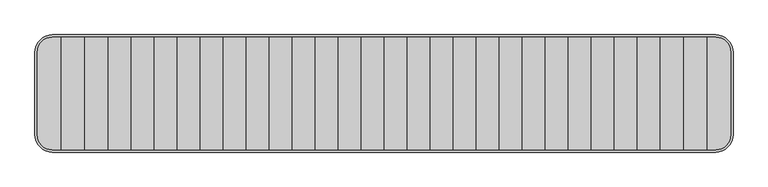
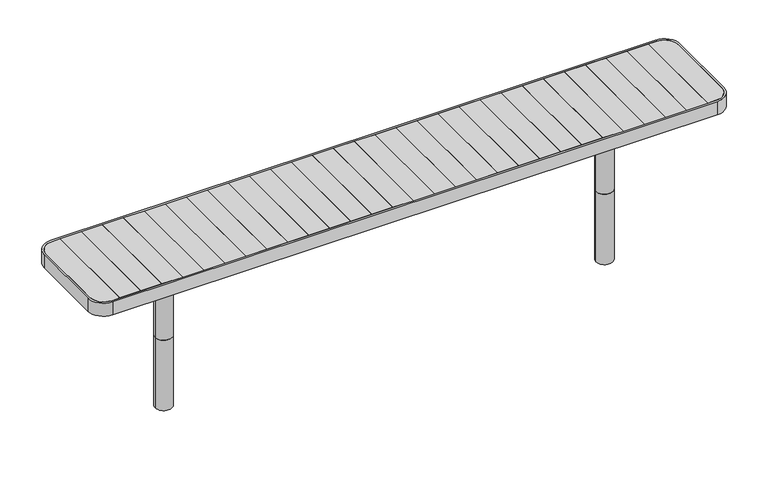
"""IFC4 building model written with IfcOpenShell, lengths in millimetres: furniture geometry."""

import ifcopenshell
import ifcopenshell.guid

model = None  # the IFC model being written
_history = None  # IfcOwnerHistory: only IFC2X3 demands one
_inside = {}  # id of a spatial element -> (the spatial element, [elements in it])
_under = {}  # id of a project, library or spatial element -> (it, [spatial elements below it])
_declared = {}  # id of a project -> (the project, [libraries it declares])
_typed = {}  # id of a type object -> (the type object, [elements of that type])
_made_of = {}  # id of a material, layer set ... -> (it, [elements and type objects made of it])


def new_model(schema):
    """Start an empty IFC model of exactly this schema.

    Asked for "IFC4X3", IfcOpenShell would pick the latest addendum, in which some entities
    have other attributes; the version numbers below select the first issue.
    IFC2X3 requires an IfcOwnerHistory on every rooted entity: one is made here for all.
    """
    global model, _history
    if schema == "IFC4X3":
        model = ifcopenshell.file(schema_version=(4, 3, 0, 0))
    else:
        model = ifcopenshell.file(schema=schema)
    _inside.clear()
    _under.clear()
    _declared.clear()
    _typed.clear()
    _made_of.clear()
    _history = None
    if model.schema == "IFC2X3":
        org = make("IfcOrganization", Name="unknown")
        user = make(
            "IfcPersonAndOrganization",
            ThePerson=make("IfcPerson", FamilyName="unknown"),
            TheOrganization=org,
        )
        app = make(
            "IfcApplication",
            ApplicationDeveloper=org,
            Version="unknown",
            ApplicationFullName="unknown",
            ApplicationIdentifier="unknown",
        )
        _history = make(
            "IfcOwnerHistory",
            OwningUser=user,
            OwningApplication=app,
            ChangeAction="ADDED",
            CreationDate=0,
        )
    return model


def make(cls, **values):
    """One entity of the class cls with the attributes given. An attribute that is None is left unset."""
    return model.create_entity(
        cls, **{name: value for name, value in values.items() if value is not None}
    )


def rooted(cls, **values):
    """An entity with a GlobalId (a new one), such as an element, a storey or a relation."""
    return make(cls, GlobalId=ifcopenshell.guid.new(), OwnerHistory=_history, **values)


def si_unit(unit_type, name, prefix=None):
    """IfcSIUnit, for example si_unit("LENGTHUNIT", "METRE", prefix="MILLI")."""
    return make("IfcSIUnit", UnitType=unit_type, Prefix=prefix, Name=name)


def assignment(units):
    """IfcUnitAssignment: the units of a project."""
    return None if units is None else make("IfcUnitAssignment", Units=units)


def point(xyz):
    """IfcCartesianPoint."""
    return None if xyz is None else make("IfcCartesianPoint", Coordinates=xyz)


def direction(xyz):
    """IfcDirection."""
    return None if xyz is None else make("IfcDirection", DirectionRatios=xyz)


def frame(location, z_axis=None, x_axis=None):
    """IfcAxis2Placement3D, a coordinate frame: its origin and axes. An axis left out is left unset."""
    return make(
        "IfcAxis2Placement3D",
        Location=point(location),
        Axis=direction(z_axis),
        RefDirection=direction(x_axis),
    )


def frame_2d(location, x_axis=None):
    """IfcAxis2Placement2D, a coordinate frame in the plane: its origin and x axis."""
    return make(
        "IfcAxis2Placement2D", Location=point(location), RefDirection=direction(x_axis)
    )


def origin():
    """The frame at (0, 0, 0) with its axes left unset."""
    return frame((0.0, 0.0, 0.0))


def origin_with_axes():
    """The frame at (0, 0, 0) with the z axis (0, 0, 1) and the x axis (1, 0, 0) written out."""
    return frame((0.0, 0.0, 0.0), z_axis=(0.0, 0.0, 1.0), x_axis=(1.0, 0.0, 0.0))


def place(relative_to, where):
    """IfcLocalPlacement: puts the frame where relative to a parent placement (None: the world)."""
    return make(
        "IfcLocalPlacement", PlacementRelTo=relative_to, RelativePlacement=where
    )


def context(
    kind, dimensions, precision=None, world=None, true_north=None, identifier=None
):
    """IfcGeometricRepresentationContext, for example the 3D "Model" context."""
    return make(
        "IfcGeometricRepresentationContext",
        ContextIdentifier=identifier,
        ContextType=kind,
        CoordinateSpaceDimension=dimensions,
        Precision=precision,
        WorldCoordinateSystem=world,
        TrueNorth=true_north,
    )


def project(units=None, contexts=None):
    """IfcProject with its units and contexts."""
    return rooted(
        "IfcProject",
        Name="project",
        RepresentationContexts=contexts,
        UnitsInContext=assignment(units),
    )


def spatial(cls, under=None, at=None, **own):
    """A site, building, storey or space (cls), placed at a placement, below another one or the project."""
    s = rooted(cls, ObjectPlacement=at, **own)
    if under is not None:
        _under.setdefault(under.id(), (under, []))[1].append(s)
    return s


def polyline(points):
    """IfcPolyline through the points."""
    return make("IfcPolyline", Points=[point(p) for p in points])


def circle_curve(where, radius):
    """IfcCircle in the frame where."""
    return make("IfcCircle", Position=where, Radius=radius)


def trimmed(basis, trim1, trim2, sense, master):
    """IfcTrimmedCurve: the piece of a basis curve between two trims."""
    return make(
        "IfcTrimmedCurve",
        BasisCurve=basis,
        Trim1=trim1,
        Trim2=trim2,
        SenseAgreement=sense,
        MasterRepresentation=master,
    )


def segment(curve, same_sense, transition):
    """IfcCompositeCurveSegment."""
    return make(
        "IfcCompositeCurveSegment",
        Transition=transition,
        SameSense=same_sense,
        ParentCurve=curve,
    )


def composite_curve(segments, self_intersect=None):
    """IfcCompositeCurve: segments joined end to end."""
    return make("IfcCompositeCurve", Segments=segments, SelfIntersect=self_intersect)


def outline(outer, holes=None, kind="AREA"):
    """IfcArbitraryClosedProfileDef: a profile drawn as a closed curve; with holes, ...WithVoids."""
    if holes is None:
        return make("IfcArbitraryClosedProfileDef", ProfileType=kind, OuterCurve=outer)
    return make(
        "IfcArbitraryProfileDefWithVoids",
        ProfileType=kind,
        OuterCurve=outer,
        InnerCurves=holes,
    )


def extrude(swept, where, along, depth):
    """IfcExtrudedAreaSolid: the profile swept, set in the frame where, extruded along a direction by depth."""
    return make(
        "IfcExtrudedAreaSolid",
        SweptArea=swept,
        Position=where,
        ExtrudedDirection=direction(along),
        Depth=depth,
    )


def shape(context_of_items, identifier, shape_type, items):
    """IfcShapeRepresentation: the items that make up one representation, for example the "Body"."""
    return make(
        "IfcShapeRepresentation",
        ContextOfItems=context_of_items,
        RepresentationIdentifier=identifier,
        RepresentationType=shape_type,
        Items=items,
    )


def source(mapping_origin, context_of_items, identifier, shape_type, items):
    """IfcRepresentationMap: a shape defined once, which mapped items show again and again."""
    return make(
        "IfcRepresentationMap",
        MappingOrigin=mapping_origin,
        MappedRepresentation=shape(context_of_items, identifier, shape_type, items),
    )


def transform(
    local_origin,
    x_axis=None,
    y_axis=None,
    z_axis=None,
    scale=None,
    scale2=None,
    scale3=None,
    uniform=True,
):
    """IfcCartesianTransformationOperator3D, or its non-uniform kind. x_axis, y_axis, z_axis: its Axis1, 2, 3."""
    if uniform:
        return make(
            "IfcCartesianTransformationOperator3D",
            Axis1=direction(x_axis),
            Axis2=direction(y_axis),
            LocalOrigin=point(local_origin),
            Scale=scale,
            Axis3=direction(z_axis),
        )
    return make(
        "IfcCartesianTransformationOperator3DnonUniform",
        Axis1=direction(x_axis),
        Axis2=direction(y_axis),
        LocalOrigin=point(local_origin),
        Scale=scale,
        Axis3=direction(z_axis),
        Scale2=scale2,
        Scale3=scale3,
    )


def mapped(mapping_source, mapping_target):
    """IfcMappedItem: shows the shape of a source again, moved by a transform."""
    return make(
        "IfcMappedItem", MappingSource=mapping_source, MappingTarget=mapping_target
    )


def made_of(thing, what):
    """Note that an element or type object is made of a material, layer set ...; save() writes the relation."""
    if what is not None:
        _made_of.setdefault(what.id(), (what, []))[1].append(thing)
    return thing


def element(
    cls,
    number,
    at=None,
    inside=None,
    cuts=None,
    type_object=None,
    material=None,
    context=None,
    identifier="Body",
    shape_type=None,
    held_by="IfcProductDefinitionShape",
    body=None,
    shapes=None,
    **own,
):
    """One element of the class cls, such as IfcWall. Its Tag is "e" and its number.

    at: its placement. inside: the storey or other place that contains it. cuts: it is an
    opening in that element (IfcRelVoidsElement). A single representation is given by context,
    identifier, shape_type and body (its items); several are given by shapes. held_by: the class
    of the entity that holds the representations. save() writes the other relations.
    """
    e = rooted(cls, Tag="e%d" % number, ObjectPlacement=at, **own)
    if body is not None:
        shapes = [shape(context, identifier, shape_type, body)]
    if shapes is not None:
        e.Representation = make(held_by, Representations=shapes)
    if inside is not None:
        _inside.setdefault(inside.id(), (inside, []))[1].append(e)
    if cuts is not None:
        rooted(
            "IfcRelVoidsElement", RelatingBuildingElement=cuts, RelatedOpeningElement=e
        )
    if type_object is not None:
        _typed.setdefault(type_object.id(), (type_object, []))[1].append(e)
    return made_of(e, material)


def aggregate(whole, parts):
    """IfcRelAggregates: a whole, such as a stair, and the parts it consists of."""
    return rooted("IfcRelAggregates", RelatingObject=whole, RelatedObjects=parts)


def save(model, path):
    """Write the relations noted so far, then the file.

    IfcRelAggregates (storeys below a building ...), IfcRelContainedInSpatialStructure (elements
    in a storey), IfcRelDefinesByType, IfcRelAssociatesMaterial and IfcRelDeclares: one each for
    every whole, place, type object, material and project.
    """
    for whole, parts in _under.values():
        aggregate(whole, parts)
    for where, things in _inside.values():
        rooted(
            "IfcRelContainedInSpatialStructure",
            RelatedElements=things,
            RelatingStructure=where,
        )
    for kind, things in _typed.values():
        rooted("IfcRelDefinesByType", RelatedObjects=things, RelatingType=kind)
    for what, things in _made_of.values():
        rooted("IfcRelAssociatesMaterial", RelatedObjects=things, RelatingMaterial=what)
    for by, libraries in _declared.values():
        rooted("IfcRelDeclares", RelatingContext=by, RelatedDefinitions=libraries)
    model.write(path)


def plane_surface(at):
    """IfcPlane: the flat surface through the origin of the frame at, square to its z axis."""
    return make("IfcPlane", Position=at)


def cylinder_surface(at, radius):
    """IfcCylindricalSurface: all points at the distance radius from the z axis of the frame at."""
    return make("IfcCylindricalSurface", Position=at, Radius=radius)


def advanced_brep(points, edges, surfaces, faces):
    """IfcAdvancedBrep: a solid bounded by faces that lie on surfaces and meet in shared edges.

    An edge is (start, end): straight between two places in points (the first is 0);
    or (start, end, curve); or (start, end, curve, False) where it runs against its curve.
    A face is (place in surfaces, loops), or (place, loops, False) where it looks against
    its surface's normal. A loop lists edges by number (the first is 1), with a minus sign
    where the edge is run from its end to its start. The first loop is the outer one.
    """
    corners = [point(p) for p in points]
    vertices = [make("IfcVertexPoint", VertexGeometry=c) for c in corners]
    made = []
    for start, end, *more in edges:
        made.append(
            make(
                "IfcEdgeCurve",
                EdgeStart=vertices[start],
                EdgeEnd=vertices[end],
                EdgeGeometry=more[0] if more else make("IfcPolyline", Points=[corners[start], corners[end]]),
                SameSense=more[1] if len(more) > 1 else True,
            )
        )
    hull = []
    for where, loops, *sense in faces:
        bounds = []
        for j, loop in enumerate(loops):
            ring = [make("IfcOrientedEdge", EdgeElement=made[abs(k) - 1], Orientation=k > 0) for k in loop]
            bounds.append(
                make(
                    "IfcFaceOuterBound" if j == 0 else "IfcFaceBound",
                    Bound=make("IfcEdgeLoop", EdgeList=ring),
                    Orientation=True,
                )
            )
        hull.append(make("IfcAdvancedFace", Bounds=bounds, FaceSurface=surfaces[where], SameSense=sense[0] if sense else True))
    return make("IfcAdvancedBrep", Outer=make("IfcClosedShell", CfsFaces=hull))


def furniture_4306fbdb(model_context):
    return source(origin(), model_context, "Body", "SolidModel", [
        extrude(outline(polyline([(1381.8, -242.0), (1283.1, -242.0), (1283.1, 242.0), (1381.8, 242.0), (1381.8, -242.0)])), frame((0.0, 0.0, 422.0), z_axis=(0.0, 0.0, 1.0), x_axis=(1.0, 0.0, 0.0)), (0.0, 0.0, 1.0), 28.0),
        extrude(outline(polyline([(1283.1, -242.0), (1184.4, -242.0), (1184.4, 242.0), (1283.1, 242.0), (1283.1, -242.0)])), frame((0.0, 0.0, 422.0), z_axis=(0.0, 0.0, 1.0), x_axis=(1.0, 0.0, 0.0)), (0.0, 0.0, 1.0), 28.0),
        extrude(outline(polyline([(1184.4, -242.0), (1085.7, -242.0), (1085.7, 242.0), (1184.4, 242.0), (1184.4, -242.0)])), frame((0.0, 0.0, 422.0), z_axis=(0.0, 0.0, 1.0), x_axis=(1.0, 0.0, 0.0)), (0.0, 0.0, 1.0), 28.0),
        extrude(outline(polyline([(1085.7, -242.0), (987.0, -242.0), (987.0, 242.0), (1085.7, 242.0), (1085.7, -242.0)])), frame((0.0, 0.0, 422.0), z_axis=(0.0, 0.0, 1.0), x_axis=(1.0, 0.0, 0.0)), (0.0, 0.0, 1.0), 28.0),
        extrude(outline(polyline([(987.0, -242.0), (888.3, -242.0), (888.3, 242.0), (987.0, 242.0), (987.0, -242.0)])), frame((0.0, 0.0, 422.0), z_axis=(0.0, 0.0, 1.0), x_axis=(1.0, 0.0, 0.0)), (0.0, 0.0, 1.0), 28.0),
        extrude(outline(polyline([(888.3, -242.0), (789.6, -242.0), (789.6, 242.0), (888.3, 242.0), (888.3, -242.0)])), frame((0.0, 0.0, 422.0), z_axis=(0.0, 0.0, 1.0), x_axis=(1.0, 0.0, 0.0)), (0.0, 0.0, 1.0), 28.0),
        extrude(outline(polyline([(789.6, -242.0), (690.9, -242.0), (690.9, 242.0), (789.6, 242.0), (789.6, -242.0)])), frame((0.0, 0.0, 422.0), z_axis=(0.0, 0.0, 1.0), x_axis=(1.0, 0.0, 0.0)), (0.0, 0.0, 1.0), 28.0),
        extrude(outline(polyline([(690.9, -242.0), (592.2, -242.0), (592.2, 242.0), (690.9, 242.0), (690.9, -242.0)])), frame((0.0, 0.0, 422.0), z_axis=(0.0, 0.0, 1.0), x_axis=(1.0, 0.0, 0.0)), (0.0, 0.0, 1.0), 28.0),
        extrude(outline(polyline([(592.2, -242.0), (493.5, -242.0), (493.5, 242.0), (592.2, 242.0), (592.2, -242.0)])), frame((0.0, 0.0, 422.0), z_axis=(0.0, 0.0, 1.0), x_axis=(1.0, 0.0, 0.0)), (0.0, 0.0, 1.0), 28.0),
        extrude(outline(polyline([(493.5, -242.0), (394.8, -242.0), (394.8, 242.0), (493.5, 242.0), (493.5, -242.0)])), frame((0.0, 0.0, 422.0), z_axis=(0.0, 0.0, 1.0), x_axis=(1.0, 0.0, 0.0)), (0.0, 0.0, 1.0), 28.0),
        extrude(outline(polyline([(394.8, -242.0), (296.1, -242.0), (296.1, 242.0), (394.8, 242.0), (394.8, -242.0)])), frame((0.0, 0.0, 422.0), z_axis=(0.0, 0.0, 1.0), x_axis=(1.0, 0.0, 0.0)), (0.0, 0.0, 1.0), 28.0),
        extrude(outline(composite_curve([segment(trimmed(circle_curve(frame_2d((1420.5004557, -177.0)), 65.0), [point((1485.5004557, -177.0))], [point((1420.5004557, -242.0))], False, "CARTESIAN"), True, "CONTINUOUS"), segment(polyline([(1420.5004557, -242.0), (1381.8, -242.0), (1381.8, 242.0), (1420.5004557, 242.0)]), True, "CONTINUOUS"), segment(trimmed(circle_curve(frame_2d((1420.5004557, 177.0)), 65.0), [point((1420.5004557, 242.0))], [point((1485.5004557, 177.0))], False, "CARTESIAN"), True, "CONTINUOUS"), segment(polyline([(1485.5004557, 177.0), (1485.5004557, -177.0)]), True, "CONTINUOUS")], self_intersect=False)), frame((0.0, 0.0, 422.0), z_axis=(0.0, 0.0, 1.0), x_axis=(1.0, 0.0, 0.0)), (0.0, 0.0, 1.0), 28.0),
        extrude(outline(polyline([(296.1, -242.0), (197.4, -242.0), (197.4, 242.0), (296.1, 242.0), (296.1, -242.0)])), frame((0.0, 0.0, 422.0), z_axis=(0.0, 0.0, 1.0), x_axis=(1.0, 0.0, 0.0)), (0.0, 0.0, 1.0), 28.0),
        extrude(outline(polyline([(197.4, -242.0), (98.7, -242.0), (98.7, 242.0), (197.4, 242.0), (197.4, -242.0)])), frame((0.0, 0.0, 422.0), z_axis=(0.0, 0.0, 1.0), x_axis=(1.0, 0.0, 0.0)), (0.0, 0.0, 1.0), 28.0),
        extrude(outline(polyline([(98.7, -242.0), (0.0, -242.0), (0.0, 242.0), (98.7, 242.0), (98.7, -242.0)])), frame((0.0, 0.0, 422.0), z_axis=(0.0, 0.0, 1.0), x_axis=(1.0, 0.0, 0.0)), (0.0, 0.0, 1.0), 28.0),
        extrude(outline(polyline([(-1283.1, -242.0), (-1381.8, -242.0), (-1381.8, 242.0), (-1283.1, 242.0), (-1283.1, -242.0)])), frame((0.0, 0.0, 422.0), z_axis=(0.0, 0.0, 1.0), x_axis=(1.0, 0.0, 0.0)), (0.0, 0.0, 1.0), 28.0),
        extrude(outline(polyline([(-1184.4, -242.0), (-1283.1, -242.0), (-1283.1, 242.0), (-1184.4, 242.0), (-1184.4, -242.0)])), frame((0.0, 0.0, 422.0), z_axis=(0.0, 0.0, 1.0), x_axis=(1.0, 0.0, 0.0)), (0.0, 0.0, 1.0), 28.0),
        extrude(outline(polyline([(-1085.7, -242.0), (-1184.4, -242.0), (-1184.4, 242.0), (-1085.7, 242.0), (-1085.7, -242.0)])), frame((0.0, 0.0, 422.0), z_axis=(0.0, 0.0, 1.0), x_axis=(1.0, 0.0, 0.0)), (0.0, 0.0, 1.0), 28.0),
        extrude(outline(polyline([(-987.0, -242.0), (-1085.7, -242.0), (-1085.7, 242.0), (-987.0, 242.0), (-987.0, -242.0)])), frame((0.0, 0.0, 422.0), z_axis=(0.0, 0.0, 1.0), x_axis=(1.0, 0.0, 0.0)), (0.0, 0.0, 1.0), 28.0),
        extrude(outline(polyline([(-888.3, -242.0), (-987.0, -242.0), (-987.0, 242.0), (-888.3, 242.0), (-888.3, -242.0)])), frame((0.0, 0.0, 422.0), z_axis=(0.0, 0.0, 1.0), x_axis=(1.0, 0.0, 0.0)), (0.0, 0.0, 1.0), 28.0),
        extrude(outline(polyline([(-789.6, -242.0), (-888.3, -242.0), (-888.3, 242.0), (-789.6, 242.0), (-789.6, -242.0)])), frame((0.0, 0.0, 422.0), z_axis=(0.0, 0.0, 1.0), x_axis=(1.0, 0.0, 0.0)), (0.0, 0.0, 1.0), 28.0),
        extrude(outline(polyline([(-690.9, -242.0), (-789.6, -242.0), (-789.6, 242.0), (-690.9, 242.0), (-690.9, -242.0)])), frame((0.0, 0.0, 422.0), z_axis=(0.0, 0.0, 1.0), x_axis=(1.0, 0.0, 0.0)), (0.0, 0.0, 1.0), 28.0),
        extrude(outline(polyline([(-592.2, -242.0), (-690.9, -242.0), (-690.9, 242.0), (-592.2, 242.0), (-592.2, -242.0)])), frame((0.0, 0.0, 422.0), z_axis=(0.0, 0.0, 1.0), x_axis=(1.0, 0.0, 0.0)), (0.0, 0.0, 1.0), 28.0),
        extrude(outline(polyline([(-493.5, -242.0), (-592.2, -242.0), (-592.2, 242.0), (-493.5, 242.0), (-493.5, -242.0)])), frame((0.0, 0.0, 422.0), z_axis=(0.0, 0.0, 1.0), x_axis=(1.0, 0.0, 0.0)), (0.0, 0.0, 1.0), 28.0),
        extrude(outline(polyline([(-394.8, -242.0), (-493.5, -242.0), (-493.5, 242.0), (-394.8, 242.0), (-394.8, -242.0)])), frame((0.0, 0.0, 422.0), z_axis=(0.0, 0.0, 1.0), x_axis=(1.0, 0.0, 0.0)), (0.0, 0.0, 1.0), 28.0),
        extrude(outline(polyline([(-296.1, -242.0), (-394.8, -242.0), (-394.8, 242.0), (-296.1, 242.0), (-296.1, -242.0)])), frame((0.0, 0.0, 422.0), z_axis=(0.0, 0.0, 1.0), x_axis=(1.0, 0.0, 0.0)), (0.0, 0.0, 1.0), 28.0),
        extrude(outline(composite_curve([segment(polyline([(-1485.5004557, -177.0), (-1485.5004557, 177.0)]), True, "CONTINUOUS"), segment(trimmed(circle_curve(frame_2d((-1420.5004557, 177.0)), 65.0), [point((-1485.5004557, 177.0))], [point((-1420.5004557, 242.0))], False, "CARTESIAN"), True, "CONTINUOUS"), segment(polyline([(-1420.5004557, 242.0), (-1381.8, 242.0), (-1381.8, -242.0), (-1420.5004557, -242.0)]), True, "CONTINUOUS"), segment(trimmed(circle_curve(frame_2d((-1420.5004557, -177.0)), 65.0), [point((-1420.5004557, -242.0))], [point((-1485.5004557, -177.0))], False, "CARTESIAN"), True, "CONTINUOUS")], self_intersect=False)), frame((0.0, 0.0, 422.0), z_axis=(0.0, 0.0, 1.0), x_axis=(1.0, 0.0, 0.0)), (0.0, 0.0, 1.0), 28.0),
        extrude(outline(polyline([(-197.4, -242.0), (-296.1, -242.0), (-296.1, 242.0), (-197.4, 242.0), (-197.4, -242.0)])), frame((0.0, 0.0, 422.0), z_axis=(0.0, 0.0, 1.0), x_axis=(1.0, 0.0, 0.0)), (0.0, 0.0, 1.0), 28.0),
        extrude(outline(polyline([(-98.7, -242.0), (-197.4, -242.0), (-197.4, 242.0), (-98.7, 242.0), (-98.7, -242.0)])), frame((0.0, 0.0, 422.0), z_axis=(0.0, 0.0, 1.0), x_axis=(1.0, 0.0, 0.0)), (0.0, 0.0, 1.0), 28.0),
        extrude(outline(polyline([(0.0, -242.0), (-98.7, -242.0), (-98.7, 242.0), (0.0, 242.0), (0.0, -242.0)])), frame((0.0, 0.0, 422.0), z_axis=(0.0, 0.0, 1.0), x_axis=(1.0, 0.0, 0.0)), (0.0, 0.0, 1.0), 28.0),
        extrude(outline(composite_curve([segment(trimmed(circle_curve(frame_2d((1036.3271918, 0.0)), 40.0), [point((1076.3271918, 0.0))], [point((996.3271918, 0.0))], False, "CARTESIAN"), True, "CONTINUOUS"), segment(trimmed(circle_curve(frame_2d((1036.3271918, 0.0)), 40.0), [point((996.3271918, 0.0))], [point((1076.3271918, 0.0))], False, "CARTESIAN"), True, "CONTINUOUS")], self_intersect=False)), origin_with_axes(), (0.0, 0.0, 1.0), 418.0),
        extrude(outline(composite_curve([segment(trimmed(circle_curve(frame_2d((-1036.3271918, 0.0)), 40.0), [point((-1076.3271918, 0.0))], [point((-996.3271918, 0.0))], False, "CARTESIAN"), True, "CONTINUOUS"), segment(trimmed(circle_curve(frame_2d((-1036.3271918, 0.0)), 40.0), [point((-996.3271918, 0.0))], [point((-1076.3271918, 0.0))], False, "CARTESIAN"), True, "CONTINUOUS")], self_intersect=False)), origin_with_axes(), (0.0, 0.0, 1.0), 418.0),
        advanced_brep(
        [(-1485.5004557, 177.0, 422.0), (-1485.5004557, -177.0, 422.0), (-1420.5004557, -242.0, 422.0), (1420.5004557, -242.0, 422.0), (1485.5004557, -177.0, 422.0), (1485.5004557, 177.0, 422.0), (1420.5004557, 242.0, 422.0), (-1420.5004557, 242.0, 422.0), (1386.8, 141.9868511, 422.0), (1386.8, -142.0, 422.0), (1076.8785308, -142.0, 422.0), (1076.8785308, 142.0, 422.0), (-1376.8, -142.0, 422.0), (-1376.8, 141.9868511, 422.0), (-1076.8785308, 141.9868511, 422.0), (-1076.8785308, -142.0, 422.0), (-995.8618569, 141.9868511, 422.0), (995.8618569, 141.9868511, 422.0), (995.8618569, -142.0, 422.0), (-995.8618569, -142.0, 422.0), (-1485.5004557, 177.0, 418.0), (-1420.5004557, 242.0, 418.0), (1420.5004557, 242.0, 418.0), (1485.5004557, 177.0, 418.0), (1485.5004557, -177.0, 418.0), (1420.5004557, -242.0, 418.0), (-1420.5004557, -242.0, 418.0), (-1485.5004557, -177.0, 418.0), (1386.8, -142.0, 418.0), (1386.8, 141.9868511, 418.0), (1076.8785308, 141.9868511, 418.0), (1076.8785308, -142.0, 418.0), (-1376.8, 141.9868511, 418.0), (-1376.8, -142.0, 418.0), (-1076.8785308, -142.0, 418.0), (-1076.8785308, 142.0, 418.0), (-995.8618569, -142.0, 418.0), (995.8618569, -142.0, 418.0), (995.8618569, 142.0, 418.0), (-995.8618569, 141.9868511, 418.0)],
        [
            (0, 1),
            (1, 2, circle_curve(frame((-1420.5004557, -177.0, 422.0), z_axis=(0.0, 0.0, 1.0), x_axis=(1.0, 0.0, 0.0)), 65.0)),
            (2, 3),
            (3, 4, circle_curve(frame((1420.5004557, -177.0, 422.0), z_axis=(0.0, 0.0, 1.0), x_axis=(-1.0, 0.0, 0.0)), 65.0)),
            (4, 5),
            (5, 6, circle_curve(frame((1420.5004557, 177.0, 422.0), z_axis=(0.0, 0.0, 1.0), x_axis=(-1.0, 0.0, 0.0)), 65.0)),
            (6, 7),
            (7, 0, circle_curve(frame((-1420.5004557, 177.0, 422.0), z_axis=(0.0, 0.0, 1.0), x_axis=(1.0, 0.0, 0.0)), 65.0)),
            (8, 9),
            (9, 10),
            (10, 11),
            (11, 8),
            (12, 13),
            (13, 14),
            (14, 15),
            (15, 12),
            (16, 17),
            (17, 18),
            (18, 19),
            (19, 16),
            (20, 21, circle_curve(frame((-1420.5004557, 177.0, 418.0), z_axis=(0.0, 0.0, -1.0), x_axis=(1.0, 0.0, 0.0)), 65.0)),
            (21, 22),
            (22, 23, circle_curve(frame((1420.5004557, 177.0, 418.0), z_axis=(0.0, 0.0, -1.0), x_axis=(-1.0, 0.0, 0.0)), 65.0)),
            (23, 24),
            (24, 25, circle_curve(frame((1420.5004557, -177.0, 418.0), z_axis=(0.0, 0.0, -1.0), x_axis=(-1.0, 0.0, 0.0)), 65.0)),
            (25, 26),
            (26, 27, circle_curve(frame((-1420.5004557, -177.0, 418.0), z_axis=(0.0, 0.0, -1.0), x_axis=(1.0, 0.0, 0.0)), 65.0)),
            (27, 20),
            (28, 29),
            (29, 30),
            (30, 31),
            (31, 28),
            (32, 33),
            (33, 34),
            (34, 35),
            (35, 32),
            (36, 37),
            (37, 38),
            (38, 39),
            (39, 36),
            (0, 20),
            (27, 1),
            (26, 2),
            (25, 3),
            (24, 4),
            (23, 5),
            (22, 6),
            (21, 7),
            (29, 8),
            (11, 30),
            (13, 32),
            (35, 14),
            (16, 39),
            (38, 17),
            (28, 9),
            (31, 10),
            (33, 12),
            (15, 34),
            (36, 19),
            (18, 37),
        ],
        [
            plane_surface(frame((-1485.5004557, -177.0, 422.0), z_axis=(0.0, 0.0, 1.0), x_axis=(0.0, -1.0, 0.0))),
            plane_surface(frame((-1485.5004557, -177.0, 418.0), z_axis=(0.0, 0.0, -1.0), x_axis=(0.0, 1.0, 0.0))),
            plane_surface(frame((-1485.5004557, 177.0, 422.0), z_axis=(-1.0, 0.0, 0.0), x_axis=(0.0, 0.0, -1.0))),
            cylinder_surface(frame((-1420.5004557, -177.0, 418.0), z_axis=(0.0, 0.0, 1.0), x_axis=(1.0, 0.0, 0.0)), 65.0),
            plane_surface(frame((-1420.5004557, -242.0, 422.0), z_axis=(0.0, -1.0, 0.0), x_axis=(0.0, 0.0, -1.0))),
            cylinder_surface(frame((1420.5004557, -177.0, 418.0), z_axis=(0.0, 0.0, 1.0), x_axis=(-1.0, 0.0, 0.0)), 65.0),
            plane_surface(frame((1485.5004557, -177.0, 422.0), z_axis=(1.0, 0.0, 0.0), x_axis=(0.0, 0.0, -1.0))),
            cylinder_surface(frame((1420.5004557, 177.0, 418.0), z_axis=(0.0, 0.0, 1.0), x_axis=(-1.0, 0.0, 0.0)), 65.0),
            plane_surface(frame((1420.5004557, 242.0, 422.0), z_axis=(0.0, 1.0, 0.0), x_axis=(0.0, 0.0, -1.0))),
            cylinder_surface(frame((-1420.5004557, 177.0, 418.0), z_axis=(0.0, 0.0, 1.0), x_axis=(1.0, 0.0, 0.0)), 65.0),
            plane_surface(frame((-1376.8, 141.9868511, 422.0), z_axis=(0.0, -1.0, 0.0), x_axis=(0.0, 0.0, -1.0))),
            plane_surface(frame((1386.8, 141.9868511, 422.0), z_axis=(-1.0, 0.0, 0.0), x_axis=(0.0, 0.0, -1.0))),
            plane_surface(frame((1386.8, -142.0, 422.0), z_axis=(0.0, 1.0, 0.0), x_axis=(0.0, 0.0, -1.0))),
            plane_surface(frame((-1376.8, -142.0, 422.0), z_axis=(1.0, 0.0, 0.0), x_axis=(0.0, 0.0, -1.0))),
            plane_surface(frame((-1076.8785308, -142.0, 422.0), z_axis=(-1.0, 0.0, 0.0), x_axis=(0.0, 1.0, 0.0))),
            plane_surface(frame((-995.8618569, -142.0, 418.0), z_axis=(1.0, 0.0, 0.0), x_axis=(0.0, 1.0, 0.0))),
            plane_surface(frame((1076.8785308, -142.0, 418.0), z_axis=(1.0, 0.0, 0.0), x_axis=(0.0, 1.0, 0.0))),
            plane_surface(frame((995.8618569, -142.0, 422.0), z_axis=(-1.0, 0.0, 0.0), x_axis=(0.0, 1.0, 0.0))),
        ],
        [
            (0, [[1, 2, 3, 4, 5, 6, 7, 8], [9, 10, 11, 12], [13, 14, 15, 16], [17, 18, 19, 20]]),
            (1, [[21, 22, 23, 24, 25, 26, 27, 28], [29, 30, 31, 32], [33, 34, 35, 36], [37, 38, 39, 40]]),
            (2, [[-1, 41, -28, 42]]),
            (3, [[-2, -42, -27, 43]]),
            (4, [[-3, -43, -26, 44]]),
            (5, [[-4, -44, -25, 45]]),
            (6, [[-5, -45, -24, 46]]),
            (7, [[-6, -46, -23, 47]]),
            (8, [[-7, -47, -22, 48]]),
            (9, [[-8, -48, -21, -41]]),
            (10, [[49, -12, 50, -30]]),
            (10, [[51, -36, 52, -14]]),
            (10, [[53, -39, 54, -17]]),
            (11, [[-9, -49, -29, 55]]),
            (12, [[-55, -32, 56, -10]]),
            (12, [[57, -16, 58, -34]]),
            (12, [[59, -19, 60, -37]]),
            (13, [[-13, -57, -33, -51]]),
            (14, [[-35, -58, -15, -52]]),
            (15, [[-40, -53, -20, -59]]),
            (16, [[-31, -50, -11, -56]]),
            (17, [[-38, -60, -18, -54]]),
        ],
    ),
        extrude(outline(composite_curve([segment(polyline([(-1495.5004557, -177.0), (-1495.5004557, 177.0)]), True, "CONTINUOUS"), segment(trimmed(circle_curve(frame_2d((-1420.5004557, 177.0)), 75.0), [point((-1495.5004557, 177.0))], [point((-1420.5004557, 252.0))], False, "CARTESIAN"), True, "CONTINUOUS"), segment(polyline([(-1420.5004557, 252.0), (1420.5004557, 252.0)]), True, "CONTINUOUS"), segment(trimmed(circle_curve(frame_2d((1420.5004557, 177.0)), 75.0), [point((1420.5004557, 252.0))], [point((1495.5004557, 177.0))], False, "CARTESIAN"), True, "CONTINUOUS"), segment(polyline([(1495.5004557, 177.0), (1495.5004557, -177.0)]), True, "CONTINUOUS"), segment(trimmed(circle_curve(frame_2d((1420.5004557, -177.0)), 75.0), [point((1495.5004557, -177.0))], [point((1420.5004557, -252.0))], False, "CARTESIAN"), True, "CONTINUOUS"), segment(polyline([(1420.5004557, -252.0), (-1420.5004557, -252.0)]), True, "CONTINUOUS"), segment(trimmed(circle_curve(frame_2d((-1420.5004557, -177.0)), 75.0), [point((-1420.5004557, -252.0))], [point((-1495.5004557, -177.0))], False, "CARTESIAN"), True, "CONTINUOUS")], self_intersect=False), holes=[composite_curve([segment(trimmed(circle_curve(frame_2d((-1420.5004557, -177.0)), 65.0), [point((-1485.5004557, -177.0))], [point((-1420.5004557, -242.0))], True, "CARTESIAN"), True, "CONTINUOUS"), segment(polyline([(-1420.5004557, -242.0), (1420.5004557, -242.0)]), True, "CONTINUOUS"), segment(trimmed(circle_curve(frame_2d((1420.5004557, -177.0)), 65.0), [point((1420.5004557, -242.0))], [point((1485.5004557, -177.0))], True, "CARTESIAN"), True, "CONTINUOUS"), segment(polyline([(1485.5004557, -177.0), (1485.5004557, 177.0)]), True, "CONTINUOUS"), segment(trimmed(circle_curve(frame_2d((1420.5004557, 177.0)), 65.0), [point((1485.5004557, 177.0))], [point((1420.5004557, 242.0))], True, "CARTESIAN"), True, "CONTINUOUS"), segment(polyline([(1420.5004557, 242.0), (-1420.5004557, 242.0)]), True, "CONTINUOUS"), segment(trimmed(circle_curve(frame_2d((-1420.5004557, 177.0)), 65.0), [point((-1420.5004557, 242.0))], [point((-1485.5004557, 177.0))], True, "CARTESIAN"), True, "CONTINUOUS"), segment(polyline([(-1485.5004557, 177.0), (-1485.5004557, -177.0)]), True, "CONTINUOUS")], self_intersect=False)]), frame((0.0, 0.0, 385.0000413), z_axis=(0.0, 0.0, 1.0), x_axis=(1.0, 0.0, 0.0)), (0.0, 0.0, 1.0), 64.9999587),
        extrude(outline(composite_curve([segment(trimmed(circle_curve(frame_2d((1036.3271918, 0.0)), 40.0), [point((1076.3271918, 0.0))], [point((996.3271918, 0.0))], False, "CARTESIAN"), True, "CONTINUOUS"), segment(trimmed(circle_curve(frame_2d((1036.3271918, 0.0)), 40.0), [point((996.3271918, 0.0))], [point((1076.3271918, 0.0))], False, "CARTESIAN"), True, "CONTINUOUS")], self_intersect=False)), frame((0.0, 0.0, -350.0), z_axis=(0.0, 0.0, 1.0), x_axis=(1.0, 0.0, 0.0)), (0.0, 0.0, 1.0), 350.0),
        extrude(outline(composite_curve([segment(trimmed(circle_curve(frame_2d((-1036.3271918, 0.0)), 40.0), [point((-1076.3271918, 0.0))], [point((-996.3271918, 0.0))], False, "CARTESIAN"), True, "CONTINUOUS"), segment(trimmed(circle_curve(frame_2d((-1036.3271918, 0.0)), 40.0), [point((-996.3271918, 0.0))], [point((-1076.3271918, 0.0))], False, "CARTESIAN"), True, "CONTINUOUS")], self_intersect=False)), frame((0.0, 0.0, -350.0), z_axis=(0.0, 0.0, 1.0), x_axis=(1.0, 0.0, 0.0)), (0.0, 0.0, 1.0), 350.0),
    ])


if __name__ == "__main__":
    model = new_model("IFC4")
    model_context = context("Model", 3, world=origin())
    ifc_project = project(units=[si_unit("LENGTHUNIT", "METRE", prefix="MILLI")], contexts=[model_context])
    site = spatial("IfcSite", under=ifc_project)
    building = spatial("IfcBuilding", under=site)
    placement = place(None, origin())
    furniture_shape = furniture_4306fbdb(model_context)
    element("IfcFurniture", 1, at=placement, inside=building, context=model_context, shape_type="MappedRepresentation", body=[
        mapped(furniture_shape, transform((0.0, 0.0, 0.0), x_axis=(1.0, 0.0, 0.0), y_axis=(0.0, 1.0, 0.0), z_axis=(0.0, 0.0, 1.0))),
    ])
    save(model, "model.ifc")
